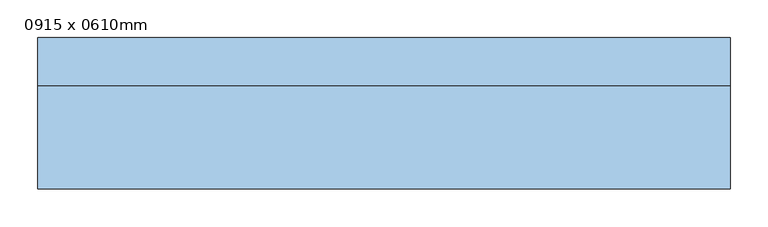
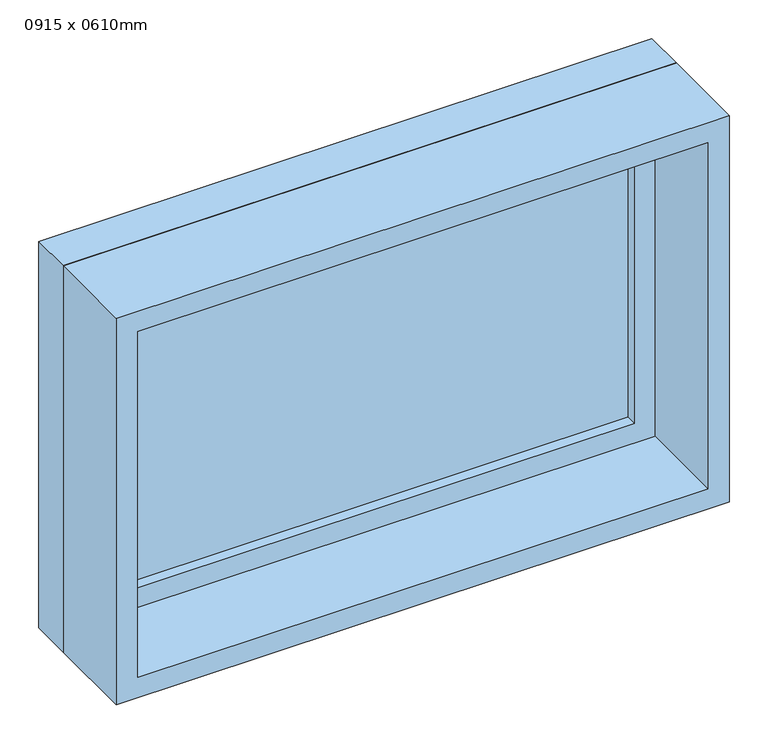
"""IFC4 building model written with IfcOpenShell, lengths in millimetres: window geometry, 0915 x 0610mm."""

from ifc_helpers import new_model, si_unit, frame, origin, place, context, project, spatial, polyline, outline, extrude, source, transform, mapped, element, save


def window_0915_x_0610mm_70a843a6(model_context):
    return source(origin(), model_context, "Body", "SweptSolid", [
        extrude(outline(polyline([(-394.5, 78.0), (394.5, 78.0), (394.5, 66.0), (-394.5, 66.0), (-394.5, 78.0)])), frame((0.0, 0.0, 978.0), z_axis=(0.0, 0.0, 1.0), x_axis=(1.0, 0.0, 0.0)), (0.0, 0.0, 1.0), 484.0),
        extrude(outline(polyline([(1506.0, -438.5), (934.0, -438.5), (934.0, 438.5), (1506.0, 438.5), (1506.0, -438.5)]), holes=[polyline([(1462.0, -394.5), (1462.0, 394.5), (978.0, 394.5), (978.0, -394.5), (1462.0, -394.5)])]), frame((0.0, 50.0, 0.0), z_axis=(0.0, 1.0, 0.0), x_axis=(0.0, 0.0, 1.0)), (0.0, 0.0, 1.0), 44.0),
        extrude(outline(polyline([(1525.0, -457.5), (915.0, -457.5), (915.0, 457.5), (1525.0, 457.5), (1525.0, -457.5)]), holes=[polyline([(1506.0, -438.5), (1506.0, 438.5), (934.0, 438.5), (934.0, -438.5), (1506.0, -438.5)])]), frame((0.0, 50.0, 0.0), z_axis=(0.0, 1.0, 0.0), x_axis=(0.0, 0.0, 1.0)), (0.0, 0.0, 1.0), 63.0),
        extrude(outline(polyline([(1525.0, -457.5), (915.0, -457.5), (915.0, 457.5), (1525.0, 457.5), (1525.0, -457.5)]), holes=[polyline([(1493.0, -425.5), (1493.0, 425.5), (947.0, 425.5), (947.0, -425.5), (1493.0, -425.5)])]), frame((0.0, -87.0, 0.0), z_axis=(0.0, 1.0, 0.0), x_axis=(0.0, 0.0, 1.0)), (0.0, 0.0, 1.0), 137.0),
    ])


if __name__ == "__main__":
    model = new_model("IFC4")
    model_context = context("Model", 3, world=origin())
    ifc_project = project(units=[si_unit("LENGTHUNIT", "METRE", prefix="MILLI")], contexts=[model_context])
    site = spatial("IfcSite", under=ifc_project)
    building = spatial("IfcBuilding", under=site)
    placement = place(None, origin())
    window_0915_x_0610mm_shape = window_0915_x_0610mm_70a843a6(model_context)
    element("IfcWindow", 1, ObjectType="0915 x 0610mm", at=placement, inside=building, context=model_context, shape_type="MappedRepresentation", body=[
        mapped(window_0915_x_0610mm_shape, transform((0.0, 0.0, 0.0), x_axis=(1.0, 0.0, 0.0), y_axis=(0.0, 1.0, 0.0), z_axis=(0.0, 0.0, 1.0))),
    ])
    save(model, "model.ifc")
